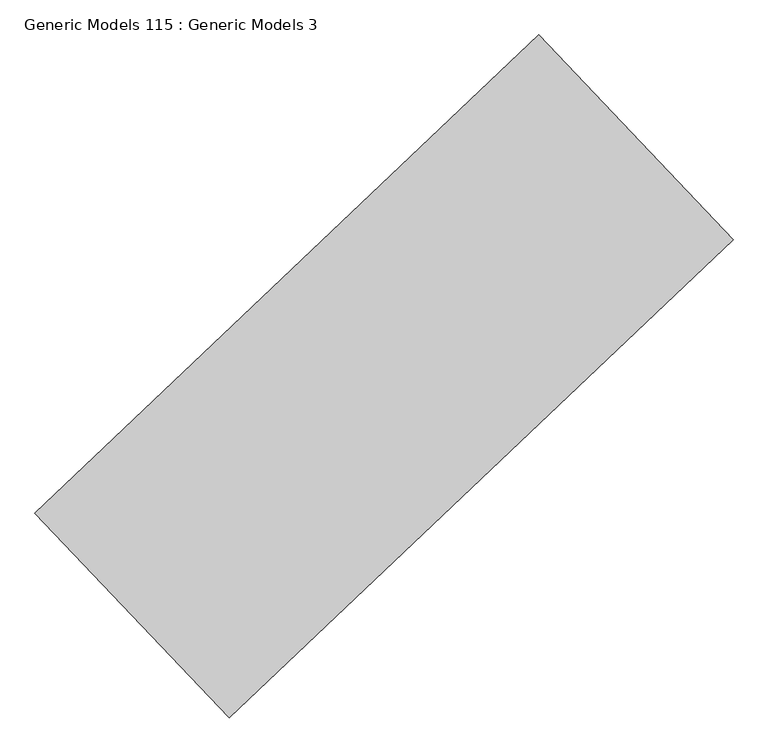
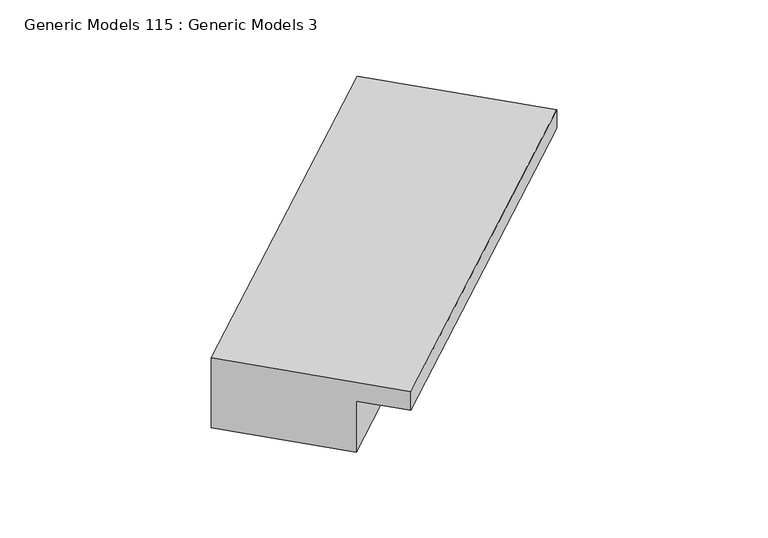
"""IFC4 building model written with IfcOpenShell, lengths in millimetres: proxy geometry, Generic Models 115 : Generic Models 3."""

from ifc_helpers import new_model, si_unit, origin, place, context, project, spatial, faceted_brep, source, transform, mapped, element, save


def generic_models_115_generic_models_3_a01920c6(model_context):
    return source(origin(), model_context, "Body", "Brep", [
        faceted_brep([(102454.4391199, 43884.4145871, 17424.3620877), (102804.4822225, 43515.5461226, 17424.3620877), (102804.4822225, 43515.5461226, 17368.9503981), (102708.3190883, 43616.8809222, 17368.9503981), (102708.3190883, 43616.8809222, 17330.8503981), (102708.3190883, 43616.8809222, 17292.7503981), (102708.3190883, 43616.8809222, 17254.6503981), (102708.3190883, 43616.8809222, 17216.5503981), (102454.4391199, 43884.4145871, 17216.5503981), (101545.8805187, 43022.2246678, 17424.3620877), (101545.8805187, 43022.2246678, 17216.5503981), (101799.7604871, 42754.6910028, 17216.5503981), (101799.7604871, 42754.6910028, 17254.6503981), (101799.7604871, 42754.6910028, 17292.7503981), (101799.7604871, 42754.6910028, 17330.8503981), (101799.7604871, 42754.6910028, 17368.9503981), (101895.9236213, 42653.3562032, 17368.9503981), (101895.9236213, 42653.3562032, 17424.3620877)], [[[0, 1, 2, 3, 4, 5, 6, 7, 8]], [[9, 10, 11, 12, 13, 14, 15, 16, 17]], [[1, 0, 9, 17]], [[1, 17, 16, 2]], [[10, 8, 7, 11]], [[0, 8, 10, 9]], [[11, 7, 6, 5, 4, 3, 15, 14, 13, 12]], [[15, 3, 2, 16]]]),
    ])


if __name__ == "__main__":
    model = new_model("IFC4")
    model_context = context("Model", 3, world=origin())
    ifc_project = project(units=[si_unit("LENGTHUNIT", "METRE", prefix="MILLI")], contexts=[model_context])
    site = spatial("IfcSite", under=ifc_project)
    building = spatial("IfcBuilding", under=site)
    placement = place(None, origin())
    generic_models_115_generic_models_3_shape = generic_models_115_generic_models_3_a01920c6(model_context)
    element("IfcBuildingElementProxy", 1, Name="Generic Models 115 : Generic Models 3", ObjectType="Generic Models 115 : Generic Models 3", at=placement, inside=building, context=model_context, shape_type="MappedRepresentation", body=[
        mapped(generic_models_115_generic_models_3_shape, transform((0.0, 0.0, 0.0), x_axis=(1.0, 0.0, 0.0), y_axis=(0.0, 1.0, 0.0), z_axis=(0.0, 0.0, 1.0))),
    ])
    save(model, "model.ifc")
